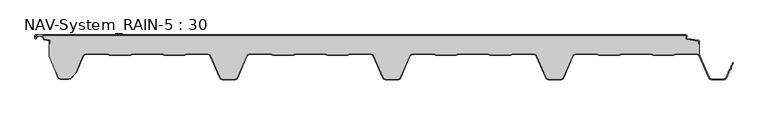
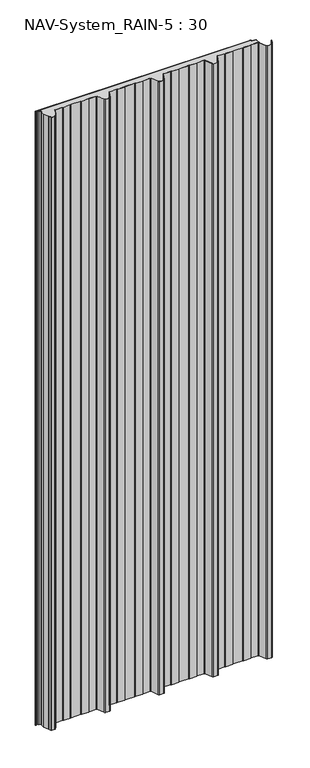
"""IFC4 building model written with IfcOpenShell, lengths in millimetres: plate geometry, NAV-System_RAIN-5 : 30."""

from ifc_helpers import new_model, si_unit, point, frame_2d, origin, origin_with_axes, place, context, project, spatial, polyline, circle_curve, trimmed, segment, composite_curve, outline, extrude, source, transform, mapped, element, save


def nav_system_rain_5_30_ad8e9682(model_context):
    return source(origin(), model_context, "Body", "SweptSolid", [
        extrude(outline(composite_curve([segment(polyline([(519.0, -13.6767555), (518.2, -13.6767555), (518.2, -9.3721283), (500.4911207, -6.8818536)]), True, "CONTINUOUS"), segment(trimmed(circle_curve(frame_2d((500.7, -5.3964683)), 1.5), [point((500.4911207, -6.8818536))], [point((499.2, -5.3964683))], False, "CARTESIAN"), True, "CONTINUOUS"), segment(polyline([(499.2, -5.3964683), (499.2, -0.8), (-498.7, -0.8)]), True, "CONTINUOUS"), segment(trimmed(circle_curve(frame_2d((-498.7, -1.3)), 0.5), [point((-498.7, -0.8))], [point((-499.2, -1.3))], True, "CARTESIAN"), True, "CONTINUOUS"), segment(polyline([(-499.2, -1.3), (-499.2, -4.3700191)]), True, "CONTINUOUS"), segment(trimmed(circle_curve(frame_2d((-498.7, -4.3700191)), 0.5), [point((-499.2, -4.3700191))], [point((-498.2669873, -4.6200191))], True, "CARTESIAN"), True, "CONTINUOUS"), segment(polyline([(-498.2669873, -4.6200191), (-496.2924383, -1.2), (-488.9841833, -1.2), (-485.8164586, -6.6866602), (-477.2, -7.898332), (-477.2, -13.6767555), (-478.0, -13.6767555), (-478.0, -8.5937048), (-485.6863953, -7.5128213)]), True, "CONTINUOUS"), segment(trimmed(circle_curve(frame_2d((-485.5053666, -6.2254873)), 1.3), [point((-485.6863953, -7.5128213))], [point((-486.6311996, -6.8754873))], False, "CARTESIAN"), True, "CONTINUOUS"), segment(polyline([(-486.6311996, -6.8754873), (-489.4460636, -2.0), (-495.8305581, -2.0), (-497.574167, -5.0200191)]), True, "CONTINUOUS"), segment(trimmed(circle_curve(frame_2d((-498.7, -4.3700191)), 1.3), [point((-497.574167, -5.0200191))], [point((-500.0, -4.3700191))], False, "CARTESIAN"), True, "CONTINUOUS"), segment(polyline([(-500.0, -4.3700191), (-500.0, -1.3)]), True, "CONTINUOUS"), segment(trimmed(circle_curve(frame_2d((-498.7, -1.3)), 1.3), [point((-500.0, -1.3))], [point((-498.7, 0.0))], False, "CARTESIAN"), True, "CONTINUOUS"), segment(polyline([(-498.7, 0.0), (498.7, 0.0)]), True, "CONTINUOUS"), segment(trimmed(circle_curve(frame_2d((498.7, -1.3)), 1.3), [point((498.7, 0.0))], [point((500.0, -1.3))], False, "CARTESIAN"), True, "CONTINUOUS"), segment(polyline([(500.0, -1.3), (500.0, -5.3964683)]), True, "CONTINUOUS"), segment(trimmed(circle_curve(frame_2d((500.7, -5.3964683)), 0.7), [point((500.0, -5.3964683))], [point((500.602523, -6.0896481))], True, "CARTESIAN"), True, "CONTINUOUS"), segment(polyline([(500.602523, -6.0896481), (517.8810287, -8.5194024)]), True, "CONTINUOUS"), segment(trimmed(circle_curve(frame_2d((517.7, -9.8067363)), 1.3), [point((517.8810287, -8.5194024))], [point((519.0, -9.8067363))], False, "CARTESIAN"), True, "CONTINUOUS"), segment(polyline([(519.0, -9.8067363), (519.0, -13.6767555)]), True, "CONTINUOUS")], self_intersect=False)), origin_with_axes(), (0.0, 0.0, 1.0), 3000.0),
        extrude(outline(composite_curve([segment(trimmed(circle_curve(frame_2d((515.5898022, -34.0)), 4.8), [point((519.0, -30.6220493))], [point((515.5898022, -29.2))], True, "CARTESIAN"), True, "CONTINUOUS"), segment(polyline([(515.5898022, -29.2), (483.6922468, -29.2), (479.6508228, -30.7), (448.0723788, -30.6741102), (444.1768702, -29.2), (400.3589135, -29.2), (396.3174895, -30.7), (364.7390455, -30.6741102), (360.8435369, -29.2), (328.9416341, -29.2)]), True, "CONTINUOUS"), segment(trimmed(circle_curve(frame_2d((328.9416341, -34.0)), 4.8), [point((328.9416341, -29.2))], [point((324.5314363, -32.1052295))], True, "CARTESIAN"), True, "CONTINUOUS"), segment(polyline([(324.5314363, -32.1052295), (310.330878, -65.1579242)]), True, "CONTINUOUS"), segment(trimmed(circle_curve(frame_2d((306.4719549, -63.5)), 4.2), [point((310.330878, -65.1579242))], [point((306.4719549, -67.7))], False, "CARTESIAN"), True, "CONTINUOUS"), segment(polyline([(306.4719549, -67.7), (288.0594814, -67.7)]), True, "CONTINUOUS"), segment(trimmed(circle_curve(frame_2d((288.0594814, -63.5)), 4.2), [point((288.0594814, -67.7))], [point((284.2005583, -65.1579242))], False, "CARTESIAN"), True, "CONTINUOUS"), segment(polyline([(284.2005583, -65.1579242), (270.0, -32.1052295)]), True, "CONTINUOUS"), segment(trimmed(circle_curve(frame_2d((265.5898022, -34.0)), 4.8), [point((270.0, -32.1052295))], [point((265.5898022, -29.2))], True, "CARTESIAN"), True, "CONTINUOUS"), segment(polyline([(265.5898022, -29.2), (233.6922468, -29.2), (229.6508228, -30.7), (198.0723788, -30.6741102), (194.1768702, -29.2), (150.3589135, -29.2), (146.3174895, -30.7), (114.8074622, -30.7), (110.8435369, -29.2), (78.9416341, -29.2)]), True, "CONTINUOUS"), segment(trimmed(circle_curve(frame_2d((78.9416341, -34.0)), 4.8), [point((78.9416341, -29.2))], [point((74.5314363, -32.1052295))], True, "CARTESIAN"), True, "CONTINUOUS"), segment(polyline([(74.5314363, -32.1052295), (60.330878, -65.1579242)]), True, "CONTINUOUS"), segment(trimmed(circle_curve(frame_2d((56.4719549, -63.5)), 4.2), [point((60.330878, -65.1579242))], [point((56.4719549, -67.7))], False, "CARTESIAN"), True, "CONTINUOUS"), segment(polyline([(56.4719549, -67.7), (38.0594814, -67.7)]), True, "CONTINUOUS"), segment(trimmed(circle_curve(frame_2d((38.0594814, -63.5)), 4.2), [point((38.0594814, -67.7))], [point((34.2005583, -65.1579242))], False, "CARTESIAN"), True, "CONTINUOUS"), segment(polyline([(34.2005583, -65.1579242), (20.0, -32.1052295)]), True, "CONTINUOUS"), segment(trimmed(circle_curve(frame_2d((15.5898022, -34.0)), 4.8), [point((20.0, -32.1052295))], [point((15.5898022, -29.2))], True, "CARTESIAN"), True, "CONTINUOUS"), segment(polyline([(15.5898022, -29.2), (-16.3077532, -29.2), (-20.3491772, -30.7), (-51.9276212, -30.6741102), (-55.8231298, -29.2), (-99.6410865, -29.2), (-103.6825105, -30.7), (-135.1925378, -30.7), (-139.1564631, -29.2), (-171.0583659, -29.2)]), True, "CONTINUOUS"), segment(trimmed(circle_curve(frame_2d((-171.0583659, -34.0)), 4.8), [point((-171.0583659, -29.2))], [point((-175.4685637, -32.1052295))], True, "CARTESIAN"), True, "CONTINUOUS"), segment(polyline([(-175.4685637, -32.1052295), (-189.669122, -65.1579242)]), True, "CONTINUOUS"), segment(trimmed(circle_curve(frame_2d((-193.5280451, -63.5)), 4.2), [point((-189.669122, -65.1579242))], [point((-193.5280451, -67.7))], False, "CARTESIAN"), True, "CONTINUOUS"), segment(polyline([(-193.5280451, -67.7), (-211.9405186, -67.7)]), True, "CONTINUOUS"), segment(trimmed(circle_curve(frame_2d((-211.9405186, -63.5)), 4.2), [point((-211.9405186, -67.7))], [point((-215.7994417, -65.1579242))], False, "CARTESIAN"), True, "CONTINUOUS"), segment(polyline([(-215.7994417, -65.1579242), (-230.0, -32.1052295)]), True, "CONTINUOUS"), segment(trimmed(circle_curve(frame_2d((-234.4101978, -34.0)), 4.8), [point((-230.0, -32.1052295))], [point((-234.4101978, -29.2))], True, "CARTESIAN"), True, "CONTINUOUS"), segment(polyline([(-234.4101978, -29.2), (-266.3077532, -29.2), (-270.3491772, -30.7), (-301.9276212, -30.6741102), (-305.8231298, -29.2), (-349.6410865, -29.2), (-353.6825105, -30.7), (-385.1925378, -30.7), (-389.1564631, -29.2), (-421.9290751, -29.2)]), True, "CONTINUOUS"), segment(trimmed(circle_curve(frame_2d((-421.9290751, -34.0)), 4.8), [point((-421.9290751, -29.2))], [point((-426.3392729, -32.1052295))], True, "CARTESIAN"), True, "CONTINUOUS"), segment(polyline([(-426.3392729, -32.1052295), (-437.4245651, -57.9069459)]), True, "CONTINUOUS"), segment(trimmed(circle_curve(frame_2d((-441.2834882, -56.2490217)), 4.2), [point((-437.4245651, -57.9069459))], [point((-438.3136397, -59.2188701))], False, "CARTESIAN"), True, "CONTINUOUS"), segment(polyline([(-438.3136397, -59.2188701), (-444.764618, -65.6698485)]), True, "CONTINUOUS"), segment(trimmed(circle_curve(frame_2d((-447.7344665, -62.7)), 4.2), [point((-444.764618, -65.6698485))], [point((-447.7344665, -66.9))], False, "CARTESIAN"), True, "CONTINUOUS"), segment(polyline([(-447.7344665, -66.9), (-461.1405186, -66.9)]), True, "CONTINUOUS"), segment(trimmed(circle_curve(frame_2d((-461.1405186, -63.7)), 3.2), [point((-461.1405186, -66.9))], [point((-464.1022482, -64.9116756))], False, "CARTESIAN"), True, "CONTINUOUS"), segment(polyline([(-464.1022482, -64.9116756), (-467.6292254, -56.2905951), (-468.3696578, -56.593514), (-478.0, -33.053822), (-478.0, -13.6767555), (-477.2, -13.6767555), (-477.2, -7.898332), (-485.8164586, -6.6866602), (-488.9841833, -1.2), (-496.2924383, -1.2), (-498.2669873, -4.6200191)]), True, "CONTINUOUS"), segment(trimmed(circle_curve(frame_2d((-498.7, -4.3700191)), 0.5), [point((-498.2669873, -4.6200191))], [point((-499.2, -4.3700191))], False, "CARTESIAN"), True, "CONTINUOUS"), segment(polyline([(-499.2, -4.3700191), (-499.2, -1.3)]), True, "CONTINUOUS"), segment(trimmed(circle_curve(frame_2d((-498.7, -1.3)), 0.5), [point((-499.2, -1.3))], [point((-498.7, -0.8))], False, "CARTESIAN"), True, "CONTINUOUS"), segment(polyline([(-498.7, -0.8), (499.2, -0.8), (499.2, -5.3964683)]), True, "CONTINUOUS"), segment(trimmed(circle_curve(frame_2d((500.7, -5.3964683)), 1.5), [point((499.2, -5.3964683))], [point((500.4911207, -6.8818536))], True, "CARTESIAN"), True, "CONTINUOUS"), segment(polyline([(500.4911207, -6.8818536), (518.2, -9.3721283), (518.2, -13.6767555), (519.0, -13.6767555), (519.0, -30.6220493)]), True, "CONTINUOUS")], self_intersect=False)), origin_with_axes(), (0.0, 0.0, 1.0), 3000.0),
        extrude(outline(composite_curve([segment(polyline([(-464.8430228, -65.2145945), (-468.37, -56.593514), (-467.6295676, -56.2905951), (-464.1025904, -64.9116756)]), True, "CONTINUOUS"), segment(trimmed(circle_curve(frame_2d((-461.1408608, -63.7)), 3.2), [point((-464.1025904, -64.9116756))], [point((-461.1408608, -66.9))], True, "CARTESIAN"), True, "CONTINUOUS"), segment(polyline([(-461.1408608, -66.9), (-447.7348087, -66.9)]), True, "CONTINUOUS"), segment(trimmed(circle_curve(frame_2d((-447.7348087, -62.7)), 4.2), [point((-447.7348087, -66.9))], [point((-444.7649603, -65.6698485))], True, "CARTESIAN"), True, "CONTINUOUS"), segment(polyline([(-444.7649603, -65.6698485), (-438.3139819, -59.2188701)]), True, "CONTINUOUS"), segment(trimmed(circle_curve(frame_2d((-441.2838304, -56.2490217)), 4.2), [point((-438.3139819, -59.2188701))], [point((-437.4249073, -57.9069459))], True, "CARTESIAN"), True, "CONTINUOUS"), segment(polyline([(-437.4249073, -57.9069459), (-426.3396151, -32.1052295)]), True, "CONTINUOUS"), segment(trimmed(circle_curve(frame_2d((-421.9294173, -34.0)), 4.8), [point((-426.3396151, -32.1052295))], [point((-421.9294173, -29.2))], False, "CARTESIAN"), True, "CONTINUOUS"), segment(polyline([(-421.9294173, -29.2), (-389.1568054, -29.2), (-385.19288, -30.7), (-353.6828527, -30.7), (-349.6414287, -29.2), (-305.8234721, -29.2), (-301.9279634, -30.6741102), (-270.3495194, -30.7), (-266.3080954, -29.2), (-234.41054, -29.2)]), True, "CONTINUOUS"), segment(trimmed(circle_curve(frame_2d((-234.41054, -34.0)), 4.8), [point((-234.41054, -29.2))], [point((-230.0003422, -32.1052295))], False, "CARTESIAN"), True, "CONTINUOUS"), segment(polyline([(-230.0003422, -32.1052295), (-215.7997839, -65.1579242)]), True, "CONTINUOUS"), segment(trimmed(circle_curve(frame_2d((-211.9408608, -63.5)), 4.2), [point((-215.7997839, -65.1579242))], [point((-211.9408608, -67.7))], True, "CARTESIAN"), True, "CONTINUOUS"), segment(polyline([(-211.9408608, -67.7), (-193.5283873, -67.7)]), True, "CONTINUOUS"), segment(trimmed(circle_curve(frame_2d((-193.5283873, -63.5)), 4.2), [point((-193.5283873, -67.7))], [point((-189.6694642, -65.1579242))], True, "CARTESIAN"), True, "CONTINUOUS"), segment(polyline([(-189.6694642, -65.1579242), (-175.4689059, -32.1052295)]), True, "CONTINUOUS"), segment(trimmed(circle_curve(frame_2d((-171.0587081, -34.0)), 4.8), [point((-175.4689059, -32.1052295))], [point((-171.0587081, -29.2))], False, "CARTESIAN"), True, "CONTINUOUS"), segment(polyline([(-171.0587081, -29.2), (-139.1568054, -29.2), (-135.2612967, -30.6741102), (-103.6828527, -30.7), (-99.6414287, -29.2), (-55.8234721, -29.2), (-51.9279634, -30.6741102), (-20.3495194, -30.7), (-16.3080954, -29.2), (15.58946, -29.2)]), True, "CONTINUOUS"), segment(trimmed(circle_curve(frame_2d((15.58946, -34.0)), 4.8), [point((15.58946, -29.2))], [point((19.9996578, -32.1052295))], False, "CARTESIAN"), True, "CONTINUOUS"), segment(polyline([(19.9996578, -32.1052295), (34.2002161, -65.1579242)]), True, "CONTINUOUS"), segment(trimmed(circle_curve(frame_2d((38.0591392, -63.5)), 4.2), [point((34.2002161, -65.1579242))], [point((38.0591392, -67.7))], True, "CARTESIAN"), True, "CONTINUOUS"), segment(polyline([(38.0591392, -67.7), (56.4716127, -67.7)]), True, "CONTINUOUS"), segment(trimmed(circle_curve(frame_2d((56.4716127, -63.5)), 4.2), [point((56.4716127, -67.7))], [point((60.3305358, -65.1579242))], True, "CARTESIAN"), True, "CONTINUOUS"), segment(polyline([(60.3305358, -65.1579242), (74.5310941, -32.1052295)]), True, "CONTINUOUS"), segment(trimmed(circle_curve(frame_2d((78.9412919, -34.0)), 4.8), [point((74.5310941, -32.1052295))], [point((78.9412919, -29.2))], False, "CARTESIAN"), True, "CONTINUOUS"), segment(polyline([(78.9412919, -29.2), (110.8431946, -29.2), (114.7387033, -30.6741102), (146.3171473, -30.7), (150.3585713, -29.2), (194.1765279, -29.2), (198.0720366, -30.6741102), (229.6504806, -30.7), (233.6919046, -29.2), (265.58946, -29.2)]), True, "CONTINUOUS"), segment(trimmed(circle_curve(frame_2d((265.58946, -34.0)), 4.8), [point((265.58946, -29.2))], [point((269.9996578, -32.1052295))], False, "CARTESIAN"), True, "CONTINUOUS"), segment(polyline([(269.9996578, -32.1052295), (284.2002161, -65.1579242)]), True, "CONTINUOUS"), segment(trimmed(circle_curve(frame_2d((288.0591392, -63.5)), 4.2), [point((284.2002161, -65.1579242))], [point((288.0591392, -67.7))], True, "CARTESIAN"), True, "CONTINUOUS"), segment(polyline([(288.0591392, -67.7), (306.4716127, -67.7)]), True, "CONTINUOUS"), segment(trimmed(circle_curve(frame_2d((306.4716127, -63.5)), 4.2), [point((306.4716127, -67.7))], [point((310.3305358, -65.1579242))], True, "CARTESIAN"), True, "CONTINUOUS"), segment(polyline([(310.3305358, -65.1579242), (324.5310941, -32.1052295)]), True, "CONTINUOUS"), segment(trimmed(circle_curve(frame_2d((328.9412919, -34.0)), 4.8), [point((324.5310941, -32.1052295))], [point((328.9412919, -29.2))], False, "CARTESIAN"), True, "CONTINUOUS"), segment(polyline([(328.9412919, -29.2), (360.8431946, -29.2), (364.7387033, -30.6741102), (396.3171473, -30.7), (400.3585713, -29.2), (444.1765279, -29.2), (448.0720366, -30.6741102), (479.6504806, -30.7), (483.6919046, -29.2), (515.58946, -29.2)]), True, "CONTINUOUS"), segment(trimmed(circle_curve(frame_2d((515.58946, -34.0)), 4.8), [point((515.58946, -29.2))], [point((519.9996578, -32.1052295))], False, "CARTESIAN"), True, "CONTINUOUS"), segment(polyline([(519.9996578, -32.1052295), (534.2002161, -65.1579242)]), True, "CONTINUOUS"), segment(trimmed(circle_curve(frame_2d((538.0591392, -63.5)), 4.2), [point((534.2002161, -65.1579242))], [point((538.0591392, -67.7))], True, "CARTESIAN"), True, "CONTINUOUS"), segment(polyline([(538.0591392, -67.7), (556.4716127, -67.7)]), True, "CONTINUOUS"), segment(trimmed(circle_curve(frame_2d((556.4716127, -63.5)), 4.2), [point((556.4716127, -67.7))], [point((560.3305358, -65.1579242))], True, "CARTESIAN"), True, "CONTINUOUS"), segment(polyline([(560.3305358, -65.1579242), (565.2356202, -53.741031), (567.1121268, -52.0654564), (567.0358547, -49.5508717), (570.0831709, -42.458051), (570.8182039, -42.7738461), (567.8408612, -49.703799), (567.9230626, -52.4138642), (565.9006789, -54.2196957), (561.0655687, -65.4737193)]), True, "CONTINUOUS"), segment(trimmed(circle_curve(frame_2d((556.4716127, -63.5)), 5.0), [point((561.0655687, -65.4737193))], [point((556.4716127, -68.5))], False, "CARTESIAN"), True, "CONTINUOUS"), segment(polyline([(556.4716127, -68.5), (538.0591392, -68.5)]), True, "CONTINUOUS"), segment(trimmed(circle_curve(frame_2d((538.0591392, -63.5)), 5.0), [point((538.0591392, -68.5))], [point((533.4651831, -65.4737193))], False, "CARTESIAN"), True, "CONTINUOUS"), segment(polyline([(533.4651831, -65.4737193), (519.2646248, -32.4210246)]), True, "CONTINUOUS"), segment(trimmed(circle_curve(frame_2d((515.58946, -34.0)), 4.0), [point((519.2646248, -32.4210246))], [point((515.58946, -30.0))], True, "CARTESIAN"), True, "CONTINUOUS"), segment(polyline([(515.58946, -30.0), (483.8338601, -30.0), (479.8699347, -31.5), (447.9941505, -31.5), (444.0302251, -30.0), (400.5005268, -30.0), (396.5366014, -31.5), (364.6608172, -31.5), (360.6968918, -30.0), (328.9412919, -30.0)]), True, "CONTINUOUS"), segment(trimmed(circle_curve(frame_2d((328.9412919, -34.0)), 4.0), [point((328.9412919, -30.0))], [point((325.2661271, -32.4210246))], True, "CARTESIAN"), True, "CONTINUOUS"), segment(polyline([(325.2661271, -32.4210246), (311.0655687, -65.4737193)]), True, "CONTINUOUS"), segment(trimmed(circle_curve(frame_2d((306.4716127, -63.5)), 5.0), [point((311.0655687, -65.4737193))], [point((306.4716127, -68.5))], False, "CARTESIAN"), True, "CONTINUOUS"), segment(polyline([(306.4716127, -68.5), (288.0591392, -68.5)]), True, "CONTINUOUS"), segment(trimmed(circle_curve(frame_2d((288.0591392, -63.5)), 5.0), [point((288.0591392, -68.5))], [point((283.4651831, -65.4737193))], False, "CARTESIAN"), True, "CONTINUOUS"), segment(polyline([(283.4651831, -65.4737193), (269.2646248, -32.4210246)]), True, "CONTINUOUS"), segment(trimmed(circle_curve(frame_2d((265.58946, -34.0)), 4.0), [point((269.2646248, -32.4210246))], [point((265.58946, -30.0))], True, "CARTESIAN"), True, "CONTINUOUS"), segment(polyline([(265.58946, -30.0), (233.8338601, -30.0), (229.8699347, -31.5), (197.9941505, -31.5), (194.0302251, -30.0), (150.5005268, -30.0), (146.5366014, -31.5), (114.6608172, -31.5), (110.6968918, -30.0), (78.9412919, -30.0)]), True, "CONTINUOUS"), segment(trimmed(circle_curve(frame_2d((78.9412919, -34.0)), 4.0), [point((78.9412919, -30.0))], [point((75.2661271, -32.4210246))], True, "CARTESIAN"), True, "CONTINUOUS"), segment(polyline([(75.2661271, -32.4210246), (61.0655687, -65.4737193)]), True, "CONTINUOUS"), segment(trimmed(circle_curve(frame_2d((56.4716127, -63.5)), 5.0), [point((61.0655687, -65.4737193))], [point((56.4716127, -68.5))], False, "CARTESIAN"), True, "CONTINUOUS"), segment(polyline([(56.4716127, -68.5), (38.0591392, -68.5)]), True, "CONTINUOUS"), segment(trimmed(circle_curve(frame_2d((38.0591392, -63.5)), 5.0), [point((38.0591392, -68.5))], [point((33.4651831, -65.4737193))], False, "CARTESIAN"), True, "CONTINUOUS"), segment(polyline([(33.4651831, -65.4737193), (19.2646248, -32.4210246)]), True, "CONTINUOUS"), segment(trimmed(circle_curve(frame_2d((15.58946, -34.0)), 4.0), [point((19.2646248, -32.4210246))], [point((15.58946, -30.0))], True, "CARTESIAN"), True, "CONTINUOUS"), segment(polyline([(15.58946, -30.0), (-16.1661399, -30.0), (-20.1300653, -31.5), (-52.0058495, -31.5), (-55.9697749, -30.0), (-99.4994732, -30.0), (-103.4633986, -31.5), (-135.3391828, -31.5), (-139.3031082, -30.0), (-171.0587081, -30.0)]), True, "CONTINUOUS"), segment(trimmed(circle_curve(frame_2d((-171.0587081, -34.0)), 4.0), [point((-171.0587081, -30.0))], [point((-174.7338729, -32.4210246))], True, "CARTESIAN"), True, "CONTINUOUS"), segment(polyline([(-174.7338729, -32.4210246), (-188.9344313, -65.4737193)]), True, "CONTINUOUS"), segment(trimmed(circle_curve(frame_2d((-193.5283873, -63.5)), 5.0), [point((-188.9344313, -65.4737193))], [point((-193.5283873, -68.5))], False, "CARTESIAN"), True, "CONTINUOUS"), segment(polyline([(-193.5283873, -68.5), (-211.9408608, -68.5)]), True, "CONTINUOUS"), segment(trimmed(circle_curve(frame_2d((-211.9408608, -63.5)), 5.0), [point((-211.9408608, -68.5))], [point((-216.5348169, -65.4737193))], False, "CARTESIAN"), True, "CONTINUOUS"), segment(polyline([(-216.5348169, -65.4737193), (-230.7353752, -32.4210246)]), True, "CONTINUOUS"), segment(trimmed(circle_curve(frame_2d((-234.41054, -34.0)), 4.0), [point((-230.7353752, -32.4210246))], [point((-234.41054, -30.0))], True, "CARTESIAN"), True, "CONTINUOUS"), segment(polyline([(-234.41054, -30.0), (-266.1661399, -30.0), (-270.1300653, -31.5), (-302.0058495, -31.5), (-305.9697749, -30.0), (-349.4994732, -30.0), (-353.4633986, -31.5), (-385.3391828, -31.5), (-389.3031082, -30.0), (-421.9294173, -30.0)]), True, "CONTINUOUS"), segment(trimmed(circle_curve(frame_2d((-421.9294173, -34.0)), 4.0), [point((-421.9294173, -30.0))], [point((-425.6045822, -32.4210246))], True, "CARTESIAN"), True, "CONTINUOUS"), segment(polyline([(-425.6045822, -32.4210246), (-436.6898744, -58.2227409)]), True, "CONTINUOUS"), segment(trimmed(circle_curve(frame_2d((-441.2838304, -56.2490217)), 5.0), [point((-436.6898744, -58.2227409))], [point((-437.7482965, -59.7845556))], False, "CARTESIAN"), True, "CONTINUOUS"), segment(polyline([(-437.7482965, -59.7845556), (-444.1992748, -66.2355339)]), True, "CONTINUOUS"), segment(trimmed(circle_curve(frame_2d((-447.7348087, -62.7)), 5.0), [point((-444.1992748, -66.2355339))], [point((-447.7348087, -67.7))], False, "CARTESIAN"), True, "CONTINUOUS"), segment(polyline([(-447.7348087, -67.7), (-461.1408608, -67.7)]), True, "CONTINUOUS"), segment(trimmed(circle_curve(frame_2d((-461.1408608, -63.7)), 4.0), [point((-461.1408608, -67.7))], [point((-464.8430228, -65.2145945))], False, "CARTESIAN"), True, "CONTINUOUS")], self_intersect=False)), origin_with_axes(), (0.0, 0.0, 1.0), 3000.0),
    ])


if __name__ == "__main__":
    model = new_model("IFC4")
    model_context = context("Model", 3, world=origin())
    ifc_project = project(units=[si_unit("LENGTHUNIT", "METRE", prefix="MILLI")], contexts=[model_context])
    site = spatial("IfcSite", under=ifc_project)
    building = spatial("IfcBuilding", under=site)
    placement = place(None, origin())
    nav_system_rain_5_30_shape = nav_system_rain_5_30_ad8e9682(model_context)
    element("IfcPlate", 1, ObjectType="NAV-System_RAIN-5 : 30", at=placement, inside=building, context=model_context, shape_type="MappedRepresentation", body=[
        mapped(nav_system_rain_5_30_shape, transform((0.0, 0.0, 0.0), x_axis=(1.0, 0.0, 0.0), y_axis=(0.0, 1.0, 0.0), z_axis=(0.0, 0.0, 1.0))),
    ])
    save(model, "model.ifc")
